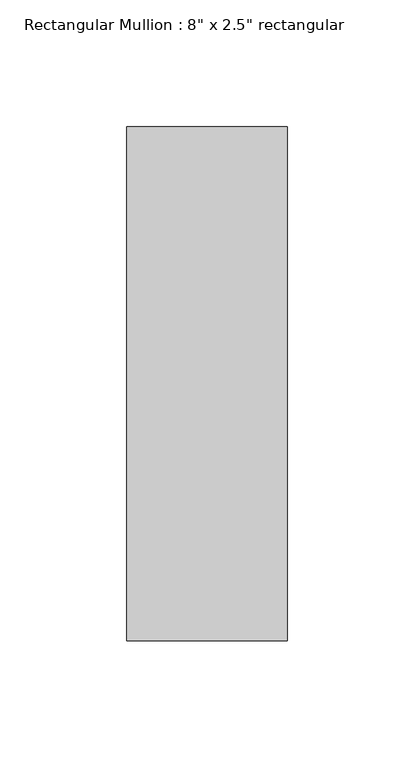
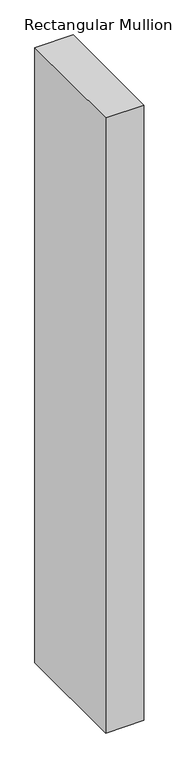
"""IFC4 building model written with IfcOpenShell, lengths in millimetres: member geometry."""

from ifc_helpers import new_model, si_unit, frame, origin, place, context, project, spatial, polyline, outline, extrude, source, transform, mapped, element, save


def member_ec0395ea(model_context):
    return source(origin(), model_context, "Body", "SweptSolid", [
        extrude(outline(polyline([(0.0, 88.9), (0.0, -114.3), (-63.5, -114.3), (-63.5, 88.9), (0.0, 88.9)])), frame((0.0, 0.0, -1080.0), z_axis=(0.0, 0.0, 1.0), x_axis=(1.0, 0.0, 0.0)), (0.0, 0.0, 1.0), 1080.0),
    ])


if __name__ == "__main__":
    model = new_model("IFC4")
    model_context = context("Model", 3, world=origin())
    ifc_project = project(units=[si_unit("LENGTHUNIT", "METRE", prefix="MILLI")], contexts=[model_context])
    site = spatial("IfcSite", under=ifc_project)
    building = spatial("IfcBuilding", under=site)
    placement = place(None, origin())
    member_shape = member_ec0395ea(model_context)
    element("IfcMember", 1, ObjectType="Rectangular Mullion : 8\" x 2.5\" rectangular", at=placement, inside=building, context=model_context, shape_type="MappedRepresentation", body=[
        mapped(member_shape, transform((0.0, 0.0, 0.0), x_axis=(1.0, 0.0, 0.0), y_axis=(0.0, 1.0, 0.0), z_axis=(0.0, 0.0, 1.0))),
    ])
    save(model, "model.ifc")
